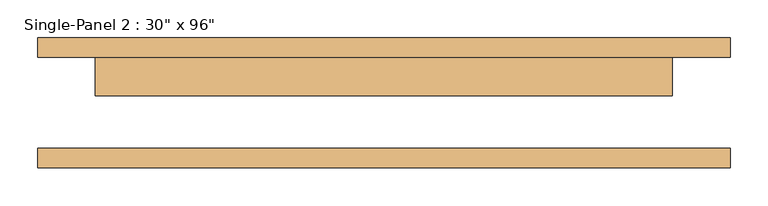
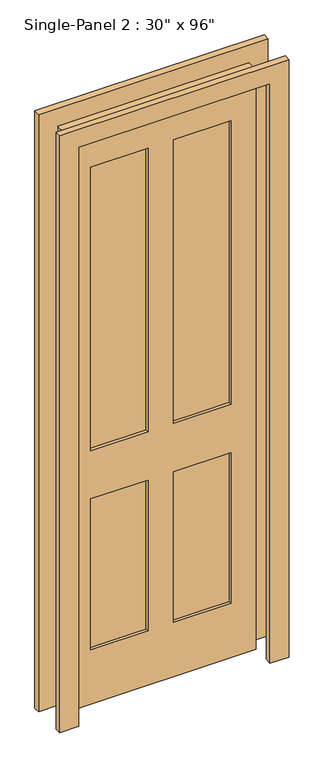
"""IFC4 building model written with IfcOpenShell, lengths in millimetres: door geometry."""

from ifc_helpers import new_model, si_unit, frame, origin, place, context, project, spatial, polyline, outline, extrude, source, transform, mapped, element, save


def door_d262850a(model_context):
    return source(origin(), model_context, "Body", "SweptSolid", [
        extrude(outline(polyline([(-50.9240165, 22.225), (-278.8511799, 22.225), (-278.8511799, 47.625), (-50.9240165, 47.625), (-50.9240165, 22.225)])), frame((0.0, 0.0, 1068.1906173), z_axis=(0.0, 0.0, 1.0), x_axis=(1.0, 0.0, 0.0)), (0.0, 0.0, 1.0), 1194.0046757),
        extrude(outline(polyline([(279.9488201, 22.225), (50.6759835, 22.225), (50.6759835, 47.625), (279.9488201, 47.625), (279.9488201, 22.225)])), frame((0.0, 0.0, 1068.1906173), z_axis=(0.0, 0.0, 1.0), x_axis=(1.0, 0.0, 0.0)), (0.0, 0.0, 1.0), 1194.0046757),
        extrude(outline(polyline([(-50.9240165, 22.225), (-278.8511799, 22.225), (-278.8511799, 47.625), (-50.9240165, 47.625), (-50.9240165, 22.225)])), frame((0.0, 0.0, 230.195293), z_axis=(0.0, 0.0, 1.0), x_axis=(1.0, 0.0, 0.0)), (0.0, 0.0, 1.0), 635.0),
        extrude(outline(polyline([(279.9488201, 22.225), (50.6759835, 22.225), (50.6759835, 47.625), (279.9488201, 47.625), (279.9488201, 22.225)])), frame((0.0, 0.0, 230.195293), z_axis=(0.0, 0.0, 1.0), x_axis=(1.0, 0.0, 0.0)), (0.0, 0.0, 1.0), 634.7953243),
        extrude(outline(polyline([(2514.6, -457.2), (1.3906173, -457.2), (1.3906173, -381.1240165), (2439.7906173, -381.1240165), (2439.7906173, 380.8759835), (1.3906173, 380.8759835), (0.0, 457.2), (2514.6, 457.2), (2514.6, -457.2)])), frame((0.0, 60.325, 0.0), z_axis=(0.0, 1.0, 0.0), x_axis=(0.0, 0.0, 1.0)), (0.0, 0.0, 1.0), 25.4),
        extrude(outline(polyline([(2514.6, 457.2), (2514.6, -457.2), (1.3906173, -457.2), (1.3906173, -381.1240165), (2439.7906173, -381.1240165), (2439.7906173, 380.8759835), (1.3906173, 380.8759835), (0.0, 457.2), (2514.6, 457.2)])), frame((0.0, -85.725, 0.0), z_axis=(0.0, 1.0, 0.0), x_axis=(0.0, 0.0, 1.0)), (0.0, 0.0, 1.0), 25.4),
        extrude(outline(polyline([(2439.7906173, 380.8759835), (2439.7906173, -381.1240165), (1.3906173, -381.1240165), (1.3906173, 380.8759835), (2439.7906173, 380.8759835)]), holes=[polyline([(2262.195293, -50.9240165), (1068.1906173, -50.9240165), (1068.1906173, -278.8511799), (2262.195293, -278.8511799), (2262.195293, -50.9240165)]), polyline([(2262.195293, 279.9488201), (1068.1906173, 279.9488201), (1068.1906173, 50.6759835), (2262.195293, 50.6759835), (2262.195293, 279.9488201)]), polyline([(865.195293, -50.9240165), (230.195293, -50.9240165), (230.195293, -278.8511799), (865.195293, -278.8511799), (865.195293, -50.9240165)]), polyline([(864.9906173, 279.9488201), (230.195293, 279.9488201), (230.195293, 50.6759835), (864.9906173, 50.6759835), (864.9906173, 279.9488201)])]), frame((0.0, 9.525, 0.0), z_axis=(0.0, 1.0, 0.0), x_axis=(0.0, 0.0, 1.0)), (0.0, 0.0, 1.0), 50.8),
    ])


if __name__ == "__main__":
    model = new_model("IFC4")
    model_context = context("Model", 3, world=origin())
    ifc_project = project(units=[si_unit("LENGTHUNIT", "METRE", prefix="MILLI")], contexts=[model_context])
    site = spatial("IfcSite", under=ifc_project)
    building = spatial("IfcBuilding", under=site)
    placement = place(None, origin())
    door_shape = door_d262850a(model_context)
    element("IfcDoor", 1, ObjectType="Single-Panel 2 : 30\" x 96\"", at=placement, inside=building, context=model_context, shape_type="MappedRepresentation", body=[
        mapped(door_shape, transform((0.0, 0.0, 0.0), x_axis=(1.0, 0.0, 0.0), y_axis=(0.0, 1.0, 0.0), z_axis=(0.0, 0.0, 1.0))),
    ])
    save(model, "model.ifc")
